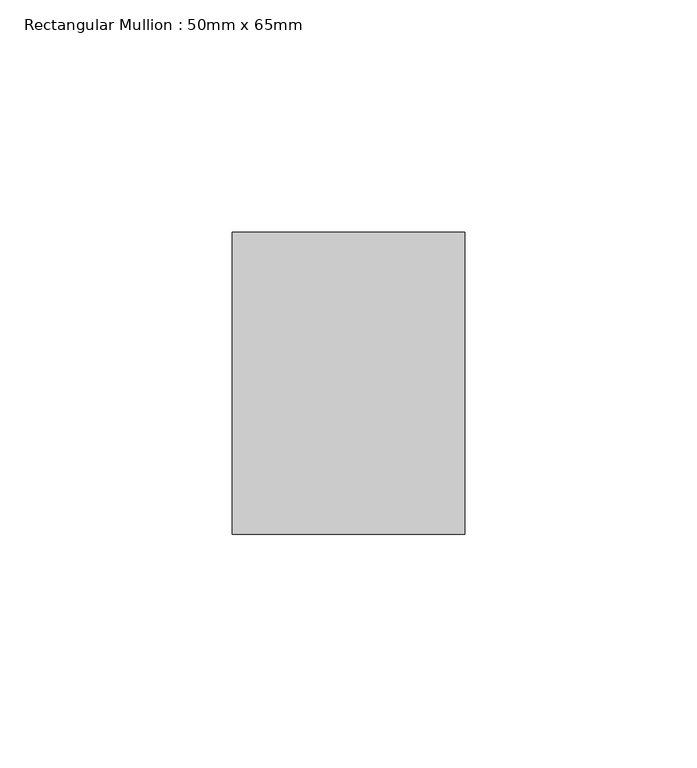
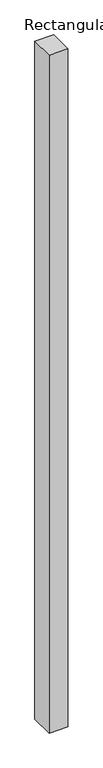
"""IFC4 building model written with IfcOpenShell, lengths in millimetres: member geometry, Rectangular Mullion : 50mm x 65mm."""

import ifcopenshell
import ifcopenshell.guid

model = None  # the IFC model being written
_history = None  # IfcOwnerHistory: only IFC2X3 demands one
_inside = {}  # id of a spatial element -> (the spatial element, [elements in it])
_under = {}  # id of a project, library or spatial element -> (it, [spatial elements below it])
_declared = {}  # id of a project -> (the project, [libraries it declares])
_typed = {}  # id of a type object -> (the type object, [elements of that type])
_made_of = {}  # id of a material, layer set ... -> (it, [elements and type objects made of it])


def new_model(schema):
    """Start an empty IFC model of exactly this schema.

    Asked for "IFC4X3", IfcOpenShell would pick the latest addendum, in which some entities
    have other attributes; the version numbers below select the first issue.
    IFC2X3 requires an IfcOwnerHistory on every rooted entity: one is made here for all.
    """
    global model, _history
    if schema == "IFC4X3":
        model = ifcopenshell.file(schema_version=(4, 3, 0, 0))
    else:
        model = ifcopenshell.file(schema=schema)
    _inside.clear()
    _under.clear()
    _declared.clear()
    _typed.clear()
    _made_of.clear()
    _history = None
    if model.schema == "IFC2X3":
        org = make("IfcOrganization", Name="unknown")
        user = make(
            "IfcPersonAndOrganization",
            ThePerson=make("IfcPerson", FamilyName="unknown"),
            TheOrganization=org,
        )
        app = make(
            "IfcApplication",
            ApplicationDeveloper=org,
            Version="unknown",
            ApplicationFullName="unknown",
            ApplicationIdentifier="unknown",
        )
        _history = make(
            "IfcOwnerHistory",
            OwningUser=user,
            OwningApplication=app,
            ChangeAction="ADDED",
            CreationDate=0,
        )
    return model


def make(cls, **values):
    """One entity of the class cls with the attributes given. An attribute that is None is left unset."""
    return model.create_entity(
        cls, **{name: value for name, value in values.items() if value is not None}
    )


def rooted(cls, **values):
    """An entity with a GlobalId (a new one), such as an element, a storey or a relation."""
    return make(cls, GlobalId=ifcopenshell.guid.new(), OwnerHistory=_history, **values)


def si_unit(unit_type, name, prefix=None):
    """IfcSIUnit, for example si_unit("LENGTHUNIT", "METRE", prefix="MILLI")."""
    return make("IfcSIUnit", UnitType=unit_type, Prefix=prefix, Name=name)


def assignment(units):
    """IfcUnitAssignment: the units of a project."""
    return None if units is None else make("IfcUnitAssignment", Units=units)


def point(xyz):
    """IfcCartesianPoint."""
    return None if xyz is None else make("IfcCartesianPoint", Coordinates=xyz)


def direction(xyz):
    """IfcDirection."""
    return None if xyz is None else make("IfcDirection", DirectionRatios=xyz)


def frame(location, z_axis=None, x_axis=None):
    """IfcAxis2Placement3D, a coordinate frame: its origin and axes. An axis left out is left unset."""
    return make(
        "IfcAxis2Placement3D",
        Location=point(location),
        Axis=direction(z_axis),
        RefDirection=direction(x_axis),
    )


def origin():
    """The frame at (0, 0, 0) with its axes left unset."""
    return frame((0.0, 0.0, 0.0))


def place(relative_to, where):
    """IfcLocalPlacement: puts the frame where relative to a parent placement (None: the world)."""
    return make(
        "IfcLocalPlacement", PlacementRelTo=relative_to, RelativePlacement=where
    )


def context(
    kind, dimensions, precision=None, world=None, true_north=None, identifier=None
):
    """IfcGeometricRepresentationContext, for example the 3D "Model" context."""
    return make(
        "IfcGeometricRepresentationContext",
        ContextIdentifier=identifier,
        ContextType=kind,
        CoordinateSpaceDimension=dimensions,
        Precision=precision,
        WorldCoordinateSystem=world,
        TrueNorth=true_north,
    )


def project(units=None, contexts=None):
    """IfcProject with its units and contexts."""
    return rooted(
        "IfcProject",
        Name="project",
        RepresentationContexts=contexts,
        UnitsInContext=assignment(units),
    )


def spatial(cls, under=None, at=None, **own):
    """A site, building, storey or space (cls), placed at a placement, below another one or the project."""
    s = rooted(cls, ObjectPlacement=at, **own)
    if under is not None:
        _under.setdefault(under.id(), (under, []))[1].append(s)
    return s


def polyline(points):
    """IfcPolyline through the points."""
    return make("IfcPolyline", Points=[point(p) for p in points])


def outline(outer, holes=None, kind="AREA"):
    """IfcArbitraryClosedProfileDef: a profile drawn as a closed curve; with holes, ...WithVoids."""
    if holes is None:
        return make("IfcArbitraryClosedProfileDef", ProfileType=kind, OuterCurve=outer)
    return make(
        "IfcArbitraryProfileDefWithVoids",
        ProfileType=kind,
        OuterCurve=outer,
        InnerCurves=holes,
    )


def extrude(swept, where, along, depth):
    """IfcExtrudedAreaSolid: the profile swept, set in the frame where, extruded along a direction by depth."""
    return make(
        "IfcExtrudedAreaSolid",
        SweptArea=swept,
        Position=where,
        ExtrudedDirection=direction(along),
        Depth=depth,
    )


def shape(context_of_items, identifier, shape_type, items):
    """IfcShapeRepresentation: the items that make up one representation, for example the "Body"."""
    return make(
        "IfcShapeRepresentation",
        ContextOfItems=context_of_items,
        RepresentationIdentifier=identifier,
        RepresentationType=shape_type,
        Items=items,
    )


def source(mapping_origin, context_of_items, identifier, shape_type, items):
    """IfcRepresentationMap: a shape defined once, which mapped items show again and again."""
    return make(
        "IfcRepresentationMap",
        MappingOrigin=mapping_origin,
        MappedRepresentation=shape(context_of_items, identifier, shape_type, items),
    )


def transform(
    local_origin,
    x_axis=None,
    y_axis=None,
    z_axis=None,
    scale=None,
    scale2=None,
    scale3=None,
    uniform=True,
):
    """IfcCartesianTransformationOperator3D, or its non-uniform kind. x_axis, y_axis, z_axis: its Axis1, 2, 3."""
    if uniform:
        return make(
            "IfcCartesianTransformationOperator3D",
            Axis1=direction(x_axis),
            Axis2=direction(y_axis),
            LocalOrigin=point(local_origin),
            Scale=scale,
            Axis3=direction(z_axis),
        )
    return make(
        "IfcCartesianTransformationOperator3DnonUniform",
        Axis1=direction(x_axis),
        Axis2=direction(y_axis),
        LocalOrigin=point(local_origin),
        Scale=scale,
        Axis3=direction(z_axis),
        Scale2=scale2,
        Scale3=scale3,
    )


def mapped(mapping_source, mapping_target):
    """IfcMappedItem: shows the shape of a source again, moved by a transform."""
    return make(
        "IfcMappedItem", MappingSource=mapping_source, MappingTarget=mapping_target
    )


def made_of(thing, what):
    """Note that an element or type object is made of a material, layer set ...; save() writes the relation."""
    if what is not None:
        _made_of.setdefault(what.id(), (what, []))[1].append(thing)
    return thing


def element(
    cls,
    number,
    at=None,
    inside=None,
    cuts=None,
    type_object=None,
    material=None,
    context=None,
    identifier="Body",
    shape_type=None,
    held_by="IfcProductDefinitionShape",
    body=None,
    shapes=None,
    **own,
):
    """One element of the class cls, such as IfcWall. Its Tag is "e" and its number.

    at: its placement. inside: the storey or other place that contains it. cuts: it is an
    opening in that element (IfcRelVoidsElement). A single representation is given by context,
    identifier, shape_type and body (its items); several are given by shapes. held_by: the class
    of the entity that holds the representations. save() writes the other relations.
    """
    e = rooted(cls, Tag="e%d" % number, ObjectPlacement=at, **own)
    if body is not None:
        shapes = [shape(context, identifier, shape_type, body)]
    if shapes is not None:
        e.Representation = make(held_by, Representations=shapes)
    if inside is not None:
        _inside.setdefault(inside.id(), (inside, []))[1].append(e)
    if cuts is not None:
        rooted(
            "IfcRelVoidsElement", RelatingBuildingElement=cuts, RelatedOpeningElement=e
        )
    if type_object is not None:
        _typed.setdefault(type_object.id(), (type_object, []))[1].append(e)
    return made_of(e, material)


def aggregate(whole, parts):
    """IfcRelAggregates: a whole, such as a stair, and the parts it consists of."""
    return rooted("IfcRelAggregates", RelatingObject=whole, RelatedObjects=parts)


def save(model, path):
    """Write the relations noted so far, then the file.

    IfcRelAggregates (storeys below a building ...), IfcRelContainedInSpatialStructure (elements
    in a storey), IfcRelDefinesByType, IfcRelAssociatesMaterial and IfcRelDeclares: one each for
    every whole, place, type object, material and project.
    """
    for whole, parts in _under.values():
        aggregate(whole, parts)
    for where, things in _inside.values():
        rooted(
            "IfcRelContainedInSpatialStructure",
            RelatedElements=things,
            RelatingStructure=where,
        )
    for kind, things in _typed.values():
        rooted("IfcRelDefinesByType", RelatedObjects=things, RelatingType=kind)
    for what, things in _made_of.values():
        rooted("IfcRelAssociatesMaterial", RelatedObjects=things, RelatingMaterial=what)
    for by, libraries in _declared.values():
        rooted("IfcRelDeclares", RelatingContext=by, RelatedDefinitions=libraries)
    model.write(path)


def rectangular_mullion_50mm_x_65mm_bfc6d2de(model_context):
    return source(origin(), model_context, "Body", "SweptSolid", [
        extrude(outline(polyline([(25.0, 32.5), (25.0, -32.5), (-25.0, -32.5), (-25.0, 32.5), (25.0, 32.5)])), frame((0.0, 0.0, -1897.7011935), z_axis=(0.0, 0.0, 1.0), x_axis=(1.0, 0.0, 0.0)), (0.0, 0.0, 1.0), 1897.7011935),
    ])


if __name__ == "__main__":
    model = new_model("IFC4")
    model_context = context("Model", 3, world=origin())
    ifc_project = project(units=[si_unit("LENGTHUNIT", "METRE", prefix="MILLI")], contexts=[model_context])
    site = spatial("IfcSite", under=ifc_project)
    building = spatial("IfcBuilding", under=site)
    placement = place(None, origin())
    rectangular_mullion_50mm_x_65mm_shape = rectangular_mullion_50mm_x_65mm_bfc6d2de(model_context)
    element("IfcMember", 1, ObjectType="Rectangular Mullion : 50mm x 65mm", at=placement, inside=building, context=model_context, shape_type="MappedRepresentation", body=[
        mapped(rectangular_mullion_50mm_x_65mm_shape, transform((0.0, 0.0, 0.0), x_axis=(1.0, 0.0, 0.0), y_axis=(0.0, 1.0, 0.0), z_axis=(0.0, 0.0, 1.0))),
    ])
    save(model, "model.ifc")
